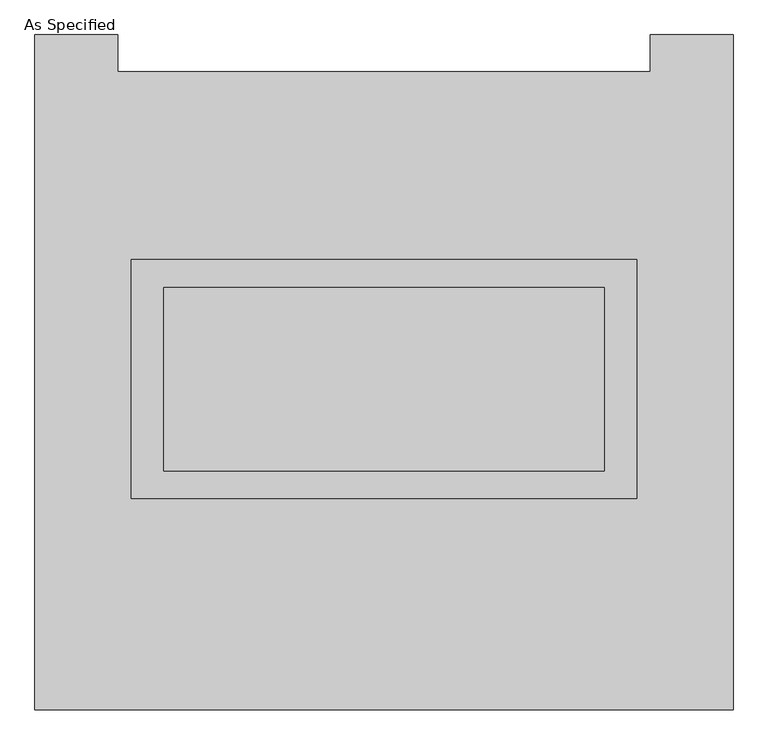
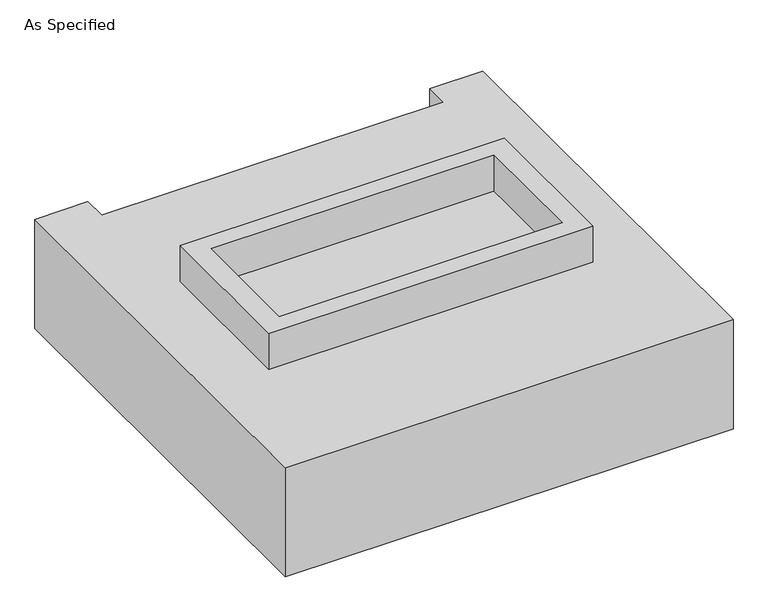
"""IFC4 building model written with IfcOpenShell, lengths in millimetres: proxy geometry, As Specified."""

from ifc_helpers import new_model, si_unit, frame, origin, place, context, project, spatial, polyline, outline, extrude, faceted_brep, source, transform, mapped, element, save


def as_specified_d237f535(model_context):
    return source(origin(), model_context, "Body", "SolidModel", [
        extrude(outline(polyline([(698.5, 361.95), (698.5, -298.45), (-698.5, -298.45), (-698.5, 361.95), (698.5, 361.95)]), holes=[polyline([(609.6, 285.75), (-609.6, 285.75), (-609.6, -222.25), (609.6, -222.25), (609.6, 285.75)])]), frame((0.0, 0.0, -25.4), z_axis=(0.0, 0.0, 1.0), x_axis=(1.0, 0.0, 0.0)), (0.0, 0.0, 1.0), 165.1),
        extrude(outline(polyline([(609.6, 285.75), (609.6, -222.25), (-609.6, -222.25), (-609.6, 285.75), (609.6, 285.75)])), frame((0.0, 0.0, -30.3609375), z_axis=(0.0, 0.0, 1.0), x_axis=(1.0, 0.0, 0.0)), (0.0, 0.0, 1.0), 4.9609375),
        faceted_brep([(965.2, -882.65, -523.875), (-965.2, -882.65, -523.875), (-965.2, 984.25, -523.875), (-736.6, 984.25, -523.875), (-736.6, 882.65, -523.875), (736.6, 882.65, -523.875), (736.6, 984.25, -523.875), (965.2, 984.25, -523.875), (-965.2, -882.65, -25.4), (965.2, -882.65, -25.4), (965.2, 984.25, -25.4), (736.6, 984.25, -25.4), (736.6, 882.65, -25.4), (-736.6, 882.65, -25.4), (-736.6, 984.25, -25.4), (-965.2, 984.25, -25.4), (-698.5, -298.45, -25.4), (-698.5, 361.95, -25.4), (698.5, 361.95, -25.4), (698.5, -298.45, -25.4), (698.5, 361.95, -498.475), (-698.5, 361.95, -498.475), (-698.5, -298.45, -498.475), (698.5, -298.45, -498.475)], [[[0, 1, 2, 3, 4, 5, 6, 7]], [[8, 9, 10, 11, 12, 13, 14, 15], [16, 17, 18, 19]], [[4, 13, 12, 5]], [[1, 8, 15, 2]], [[10, 9, 0, 7]], [[20, 21, 22, 23]], [[22, 21, 17, 16]], [[21, 20, 18, 17]], [[20, 23, 19, 18]], [[16, 19, 23, 22]], [[1, 0, 9, 8]], [[4, 3, 14, 13]], [[3, 2, 15, 14]], [[6, 5, 12, 11]], [[7, 6, 11, 10]]]),
    ])


if __name__ == "__main__":
    model = new_model("IFC4")
    model_context = context("Model", 3, world=origin())
    ifc_project = project(units=[si_unit("LENGTHUNIT", "METRE", prefix="MILLI")], contexts=[model_context])
    site = spatial("IfcSite", under=ifc_project)
    building = spatial("IfcBuilding", under=site)
    placement = place(None, origin())
    as_specified_shape = as_specified_d237f535(model_context)
    element("IfcBuildingElementProxy", 1, Name="As Specified", ObjectType="As Specified", at=placement, inside=building, context=model_context, shape_type="MappedRepresentation", body=[
        mapped(as_specified_shape, transform((0.0, 0.0, 0.0), x_axis=(1.0, 0.0, 0.0), y_axis=(0.0, 1.0, 0.0), z_axis=(0.0, 0.0, 1.0))),
    ])
    save(model, "model.ifc")
